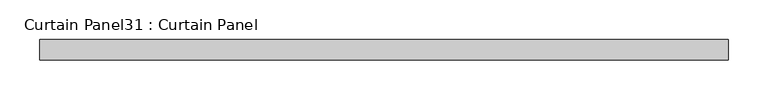
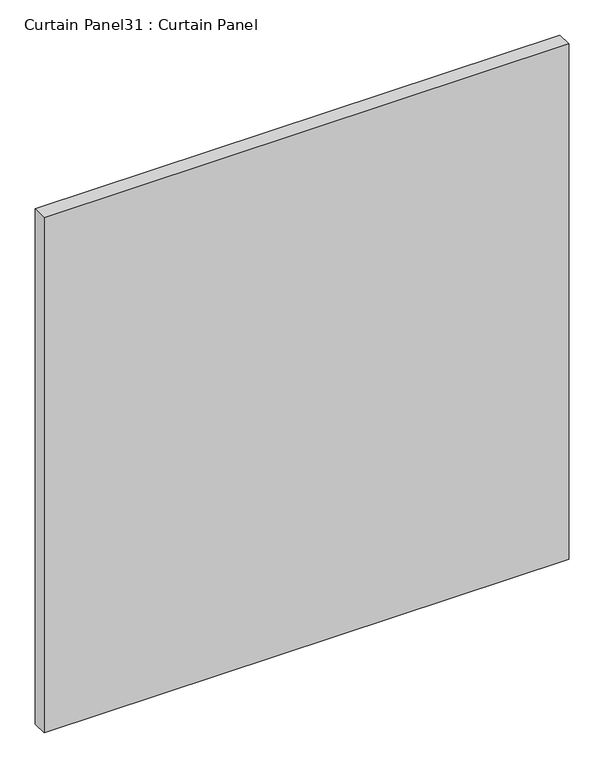
"""IFC4 building model written with IfcOpenShell, lengths in millimetres: plate geometry, Curtain Panel31 : Curtain Panel."""

import ifcopenshell
import ifcopenshell.guid

model = None  # the IFC model being written
_history = None  # IfcOwnerHistory: only IFC2X3 demands one
_inside = {}  # id of a spatial element -> (the spatial element, [elements in it])
_under = {}  # id of a project, library or spatial element -> (it, [spatial elements below it])
_declared = {}  # id of a project -> (the project, [libraries it declares])
_typed = {}  # id of a type object -> (the type object, [elements of that type])
_made_of = {}  # id of a material, layer set ... -> (it, [elements and type objects made of it])


def new_model(schema):
    """Start an empty IFC model of exactly this schema.

    Asked for "IFC4X3", IfcOpenShell would pick the latest addendum, in which some entities
    have other attributes; the version numbers below select the first issue.
    IFC2X3 requires an IfcOwnerHistory on every rooted entity: one is made here for all.
    """
    global model, _history
    if schema == "IFC4X3":
        model = ifcopenshell.file(schema_version=(4, 3, 0, 0))
    else:
        model = ifcopenshell.file(schema=schema)
    _inside.clear()
    _under.clear()
    _declared.clear()
    _typed.clear()
    _made_of.clear()
    _history = None
    if model.schema == "IFC2X3":
        org = make("IfcOrganization", Name="unknown")
        user = make(
            "IfcPersonAndOrganization",
            ThePerson=make("IfcPerson", FamilyName="unknown"),
            TheOrganization=org,
        )
        app = make(
            "IfcApplication",
            ApplicationDeveloper=org,
            Version="unknown",
            ApplicationFullName="unknown",
            ApplicationIdentifier="unknown",
        )
        _history = make(
            "IfcOwnerHistory",
            OwningUser=user,
            OwningApplication=app,
            ChangeAction="ADDED",
            CreationDate=0,
        )
    return model


def make(cls, **values):
    """One entity of the class cls with the attributes given. An attribute that is None is left unset."""
    return model.create_entity(
        cls, **{name: value for name, value in values.items() if value is not None}
    )


def rooted(cls, **values):
    """An entity with a GlobalId (a new one), such as an element, a storey or a relation."""
    return make(cls, GlobalId=ifcopenshell.guid.new(), OwnerHistory=_history, **values)


def si_unit(unit_type, name, prefix=None):
    """IfcSIUnit, for example si_unit("LENGTHUNIT", "METRE", prefix="MILLI")."""
    return make("IfcSIUnit", UnitType=unit_type, Prefix=prefix, Name=name)


def assignment(units):
    """IfcUnitAssignment: the units of a project."""
    return None if units is None else make("IfcUnitAssignment", Units=units)


def point(xyz):
    """IfcCartesianPoint."""
    return None if xyz is None else make("IfcCartesianPoint", Coordinates=xyz)


def direction(xyz):
    """IfcDirection."""
    return None if xyz is None else make("IfcDirection", DirectionRatios=xyz)


def frame(location, z_axis=None, x_axis=None):
    """IfcAxis2Placement3D, a coordinate frame: its origin and axes. An axis left out is left unset."""
    return make(
        "IfcAxis2Placement3D",
        Location=point(location),
        Axis=direction(z_axis),
        RefDirection=direction(x_axis),
    )


def origin():
    """The frame at (0, 0, 0) with its axes left unset."""
    return frame((0.0, 0.0, 0.0))


def place(relative_to, where):
    """IfcLocalPlacement: puts the frame where relative to a parent placement (None: the world)."""
    return make(
        "IfcLocalPlacement", PlacementRelTo=relative_to, RelativePlacement=where
    )


def context(
    kind, dimensions, precision=None, world=None, true_north=None, identifier=None
):
    """IfcGeometricRepresentationContext, for example the 3D "Model" context."""
    return make(
        "IfcGeometricRepresentationContext",
        ContextIdentifier=identifier,
        ContextType=kind,
        CoordinateSpaceDimension=dimensions,
        Precision=precision,
        WorldCoordinateSystem=world,
        TrueNorth=true_north,
    )


def project(units=None, contexts=None):
    """IfcProject with its units and contexts."""
    return rooted(
        "IfcProject",
        Name="project",
        RepresentationContexts=contexts,
        UnitsInContext=assignment(units),
    )


def spatial(cls, under=None, at=None, **own):
    """A site, building, storey or space (cls), placed at a placement, below another one or the project."""
    s = rooted(cls, ObjectPlacement=at, **own)
    if under is not None:
        _under.setdefault(under.id(), (under, []))[1].append(s)
    return s


def polyline(points):
    """IfcPolyline through the points."""
    return make("IfcPolyline", Points=[point(p) for p in points])


def outline(outer, holes=None, kind="AREA"):
    """IfcArbitraryClosedProfileDef: a profile drawn as a closed curve; with holes, ...WithVoids."""
    if holes is None:
        return make("IfcArbitraryClosedProfileDef", ProfileType=kind, OuterCurve=outer)
    return make(
        "IfcArbitraryProfileDefWithVoids",
        ProfileType=kind,
        OuterCurve=outer,
        InnerCurves=holes,
    )


def extrude(swept, where, along, depth):
    """IfcExtrudedAreaSolid: the profile swept, set in the frame where, extruded along a direction by depth."""
    return make(
        "IfcExtrudedAreaSolid",
        SweptArea=swept,
        Position=where,
        ExtrudedDirection=direction(along),
        Depth=depth,
    )


def shape(context_of_items, identifier, shape_type, items):
    """IfcShapeRepresentation: the items that make up one representation, for example the "Body"."""
    return make(
        "IfcShapeRepresentation",
        ContextOfItems=context_of_items,
        RepresentationIdentifier=identifier,
        RepresentationType=shape_type,
        Items=items,
    )


def source(mapping_origin, context_of_items, identifier, shape_type, items):
    """IfcRepresentationMap: a shape defined once, which mapped items show again and again."""
    return make(
        "IfcRepresentationMap",
        MappingOrigin=mapping_origin,
        MappedRepresentation=shape(context_of_items, identifier, shape_type, items),
    )


def transform(
    local_origin,
    x_axis=None,
    y_axis=None,
    z_axis=None,
    scale=None,
    scale2=None,
    scale3=None,
    uniform=True,
):
    """IfcCartesianTransformationOperator3D, or its non-uniform kind. x_axis, y_axis, z_axis: its Axis1, 2, 3."""
    if uniform:
        return make(
            "IfcCartesianTransformationOperator3D",
            Axis1=direction(x_axis),
            Axis2=direction(y_axis),
            LocalOrigin=point(local_origin),
            Scale=scale,
            Axis3=direction(z_axis),
        )
    return make(
        "IfcCartesianTransformationOperator3DnonUniform",
        Axis1=direction(x_axis),
        Axis2=direction(y_axis),
        LocalOrigin=point(local_origin),
        Scale=scale,
        Axis3=direction(z_axis),
        Scale2=scale2,
        Scale3=scale3,
    )


def mapped(mapping_source, mapping_target):
    """IfcMappedItem: shows the shape of a source again, moved by a transform."""
    return make(
        "IfcMappedItem", MappingSource=mapping_source, MappingTarget=mapping_target
    )


def made_of(thing, what):
    """Note that an element or type object is made of a material, layer set ...; save() writes the relation."""
    if what is not None:
        _made_of.setdefault(what.id(), (what, []))[1].append(thing)
    return thing


def element(
    cls,
    number,
    at=None,
    inside=None,
    cuts=None,
    type_object=None,
    material=None,
    context=None,
    identifier="Body",
    shape_type=None,
    held_by="IfcProductDefinitionShape",
    body=None,
    shapes=None,
    **own,
):
    """One element of the class cls, such as IfcWall. Its Tag is "e" and its number.

    at: its placement. inside: the storey or other place that contains it. cuts: it is an
    opening in that element (IfcRelVoidsElement). A single representation is given by context,
    identifier, shape_type and body (its items); several are given by shapes. held_by: the class
    of the entity that holds the representations. save() writes the other relations.
    """
    e = rooted(cls, Tag="e%d" % number, ObjectPlacement=at, **own)
    if body is not None:
        shapes = [shape(context, identifier, shape_type, body)]
    if shapes is not None:
        e.Representation = make(held_by, Representations=shapes)
    if inside is not None:
        _inside.setdefault(inside.id(), (inside, []))[1].append(e)
    if cuts is not None:
        rooted(
            "IfcRelVoidsElement", RelatingBuildingElement=cuts, RelatedOpeningElement=e
        )
    if type_object is not None:
        _typed.setdefault(type_object.id(), (type_object, []))[1].append(e)
    return made_of(e, material)


def aggregate(whole, parts):
    """IfcRelAggregates: a whole, such as a stair, and the parts it consists of."""
    return rooted("IfcRelAggregates", RelatingObject=whole, RelatedObjects=parts)


def save(model, path):
    """Write the relations noted so far, then the file.

    IfcRelAggregates (storeys below a building ...), IfcRelContainedInSpatialStructure (elements
    in a storey), IfcRelDefinesByType, IfcRelAssociatesMaterial and IfcRelDeclares: one each for
    every whole, place, type object, material and project.
    """
    for whole, parts in _under.values():
        aggregate(whole, parts)
    for where, things in _inside.values():
        rooted(
            "IfcRelContainedInSpatialStructure",
            RelatedElements=things,
            RelatingStructure=where,
        )
    for kind, things in _typed.values():
        rooted("IfcRelDefinesByType", RelatedObjects=things, RelatingType=kind)
    for what, things in _made_of.values():
        rooted("IfcRelAssociatesMaterial", RelatedObjects=things, RelatingMaterial=what)
    for by, libraries in _declared.values():
        rooted("IfcRelDeclares", RelatingContext=by, RelatedDefinitions=libraries)
    model.write(path)


def curtain_panel31_curtain_panel_cafc46e6(model_context):
    return source(origin(), model_context, "Body", "SweptSolid", [
        extrude(outline(polyline([(39480.753497, 2225.3654634), (38617.3006744, 2225.3654634), (38617.3006744, 2250.7654634), (39480.753497, 2250.7654634), (39480.753497, 2225.3654634)])), frame((0.0, 0.0, 297.6568127), z_axis=(0.0, 0.0, 1.0), x_axis=(1.0, 0.0, 0.0)), (0.0, 0.0, 1.0), 895.3996103),
    ])


if __name__ == "__main__":
    model = new_model("IFC4")
    model_context = context("Model", 3, world=origin())
    ifc_project = project(units=[si_unit("LENGTHUNIT", "METRE", prefix="MILLI")], contexts=[model_context])
    site = spatial("IfcSite", under=ifc_project)
    building = spatial("IfcBuilding", under=site)
    placement = place(None, origin())
    curtain_panel31_curtain_panel_shape = curtain_panel31_curtain_panel_cafc46e6(model_context)
    element("IfcPlate", 1, ObjectType="Curtain Panel31 : Curtain Panel", at=placement, inside=building, context=model_context, shape_type="MappedRepresentation", body=[
        mapped(curtain_panel31_curtain_panel_shape, transform((0.0, 0.0, 0.0), x_axis=(1.0, 0.0, 0.0), y_axis=(0.0, 1.0, 0.0), z_axis=(0.0, 0.0, 1.0))),
    ])
    save(model, "model.ifc")
